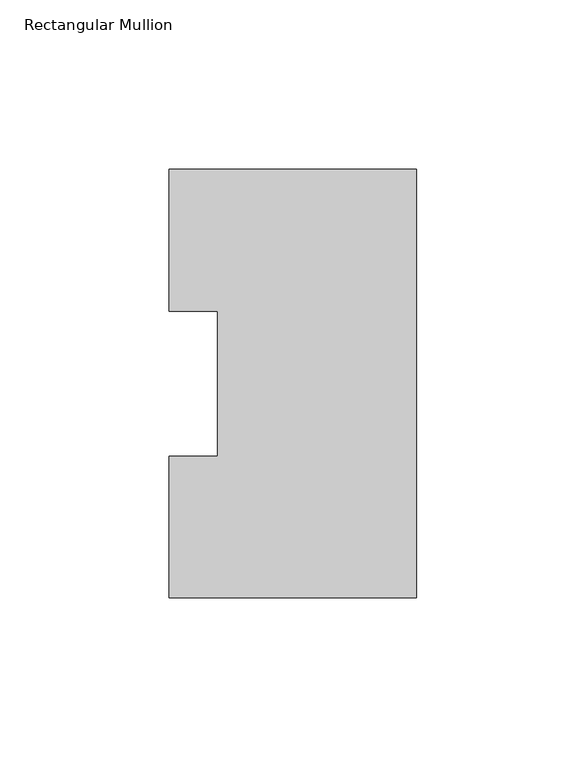
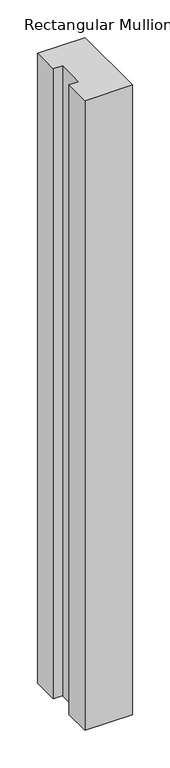
"""IFC4 building model written with IfcOpenShell, lengths in millimetres: member geometry, Rectangular Mullion."""

from ifc_helpers import new_model, si_unit, frame, origin, place, context, project, spatial, polyline, outline, extrude, source, transform, mapped, element, save


def rectangular_mullion_3d7a1134(model_context):
    return source(origin(), model_context, "Body", "SweptSolid", [
        extrude(outline(polyline([(0.0, 126.75235), (0.0, 0.26035), (-73.025, 0.26035), (-73.025, 42.0814491), (-58.7375, 42.0814491), (-58.7375, 84.93125), (-73.025, 84.93125), (-73.025, 126.75235), (0.0, 126.75235)])), frame((0.0, 0.0, -1022.3505426), z_axis=(0.0, 0.0, 1.0), x_axis=(1.0, 0.0, 0.0)), (0.0, 0.0, 1.0), 1022.3505426),
    ])


if __name__ == "__main__":
    model = new_model("IFC4")
    model_context = context("Model", 3, world=origin())
    ifc_project = project(units=[si_unit("LENGTHUNIT", "METRE", prefix="MILLI")], contexts=[model_context])
    site = spatial("IfcSite", under=ifc_project)
    building = spatial("IfcBuilding", under=site)
    placement = place(None, origin())
    rectangular_mullion_shape = rectangular_mullion_3d7a1134(model_context)
    element("IfcMember", 1, ObjectType="Rectangular Mullion", at=placement, inside=building, context=model_context, shape_type="MappedRepresentation", body=[
        mapped(rectangular_mullion_shape, transform((0.0, 0.0, 0.0), x_axis=(1.0, 0.0, 0.0), y_axis=(0.0, 1.0, 0.0), z_axis=(0.0, 0.0, 1.0))),
    ])
    save(model, "model.ifc")
